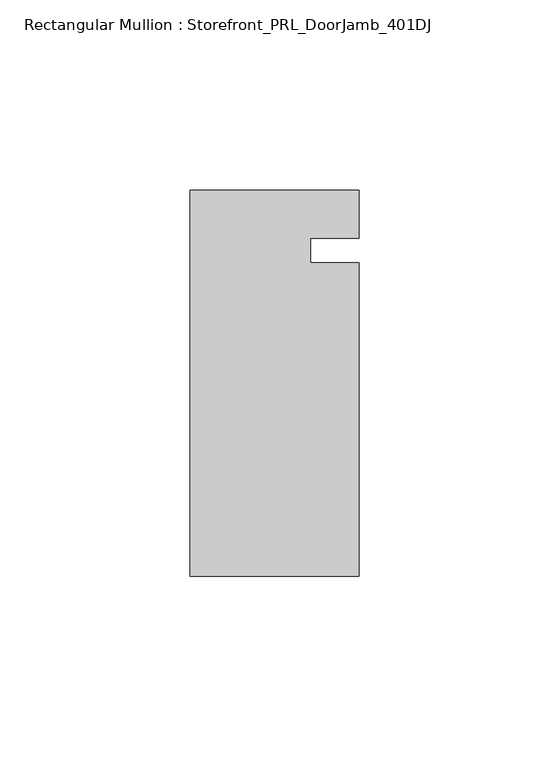
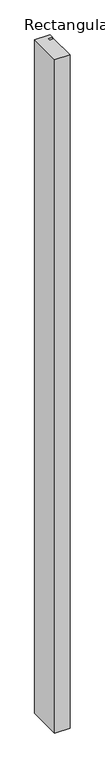
"""IFC4 building model written with IfcOpenShell, lengths in millimetres: member geometry, Rectangular Mullion : Storefront_PRL_DoorJamb_401DJ."""

from ifc_helpers import new_model, si_unit, frame, origin, place, context, project, spatial, polyline, outline, extrude, source, transform, mapped, element, save


def rectangular_mullion_storefront_prl_doorjamb_401dj_0965cec8(model_context):
    return source(origin(), model_context, "Body", "SweptSolid", [
        extrude(outline(polyline([(9.525, -3.175), (22.225, -3.175), (22.225, -85.725), (-22.225, -85.725), (-22.225, 15.875), (22.225, 15.875), (22.225, 3.175), (9.525, 3.175), (9.525, -3.175)])), frame((0.0, 0.0, -2082.8), z_axis=(0.0, 0.0, 1.0), x_axis=(1.0, 0.0, 0.0)), (0.0, 0.0, 1.0), 2082.8),
    ])


if __name__ == "__main__":
    model = new_model("IFC4")
    model_context = context("Model", 3, world=origin())
    ifc_project = project(units=[si_unit("LENGTHUNIT", "METRE", prefix="MILLI")], contexts=[model_context])
    site = spatial("IfcSite", under=ifc_project)
    building = spatial("IfcBuilding", under=site)
    placement = place(None, origin())
    rectangular_mullion_storefront_prl_doorjamb_401dj_shape = rectangular_mullion_storefront_prl_doorjamb_401dj_0965cec8(model_context)
    element("IfcMember", 1, ObjectType="Rectangular Mullion : Storefront_PRL_DoorJamb_401DJ", at=placement, inside=building, context=model_context, shape_type="MappedRepresentation", body=[
        mapped(rectangular_mullion_storefront_prl_doorjamb_401dj_shape, transform((0.0, 0.0, 0.0), x_axis=(1.0, 0.0, 0.0), y_axis=(0.0, 1.0, 0.0), z_axis=(0.0, 0.0, 1.0))),
    ])
    save(model, "model.ifc")
